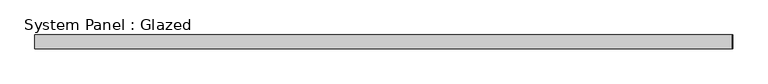
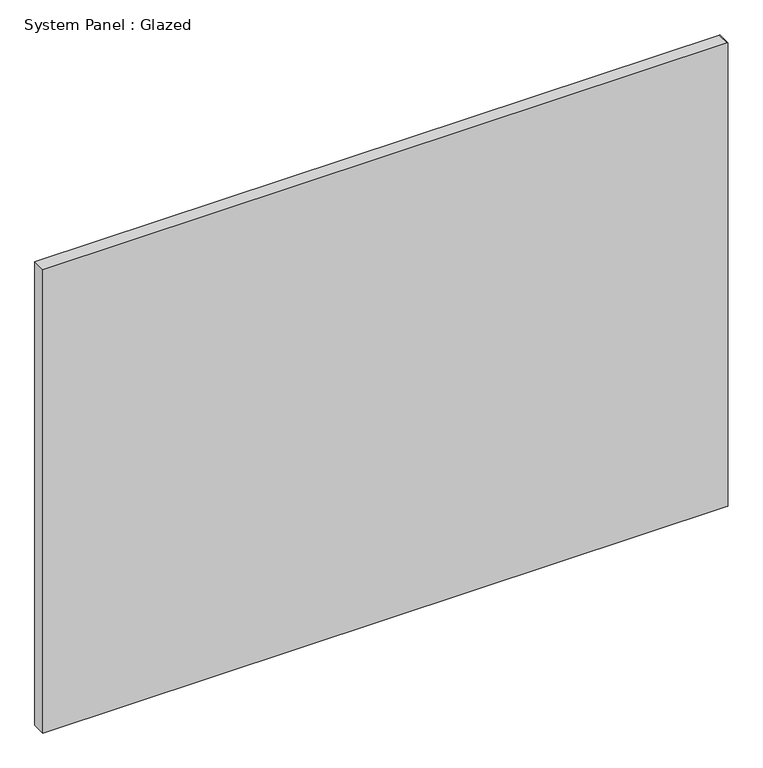
"""IFC4 building model written with IfcOpenShell, lengths in millimetres: plate geometry, System Panel : Glazed."""

import ifcopenshell
import ifcopenshell.guid

model = None  # the IFC model being written
_history = None  # IfcOwnerHistory: only IFC2X3 demands one
_inside = {}  # id of a spatial element -> (the spatial element, [elements in it])
_under = {}  # id of a project, library or spatial element -> (it, [spatial elements below it])
_declared = {}  # id of a project -> (the project, [libraries it declares])
_typed = {}  # id of a type object -> (the type object, [elements of that type])
_made_of = {}  # id of a material, layer set ... -> (it, [elements and type objects made of it])


def new_model(schema):
    """Start an empty IFC model of exactly this schema.

    Asked for "IFC4X3", IfcOpenShell would pick the latest addendum, in which some entities
    have other attributes; the version numbers below select the first issue.
    IFC2X3 requires an IfcOwnerHistory on every rooted entity: one is made here for all.
    """
    global model, _history
    if schema == "IFC4X3":
        model = ifcopenshell.file(schema_version=(4, 3, 0, 0))
    else:
        model = ifcopenshell.file(schema=schema)
    _inside.clear()
    _under.clear()
    _declared.clear()
    _typed.clear()
    _made_of.clear()
    _history = None
    if model.schema == "IFC2X3":
        org = make("IfcOrganization", Name="unknown")
        user = make(
            "IfcPersonAndOrganization",
            ThePerson=make("IfcPerson", FamilyName="unknown"),
            TheOrganization=org,
        )
        app = make(
            "IfcApplication",
            ApplicationDeveloper=org,
            Version="unknown",
            ApplicationFullName="unknown",
            ApplicationIdentifier="unknown",
        )
        _history = make(
            "IfcOwnerHistory",
            OwningUser=user,
            OwningApplication=app,
            ChangeAction="ADDED",
            CreationDate=0,
        )
    return model


def make(cls, **values):
    """One entity of the class cls with the attributes given. An attribute that is None is left unset."""
    return model.create_entity(
        cls, **{name: value for name, value in values.items() if value is not None}
    )


def rooted(cls, **values):
    """An entity with a GlobalId (a new one), such as an element, a storey or a relation."""
    return make(cls, GlobalId=ifcopenshell.guid.new(), OwnerHistory=_history, **values)


def si_unit(unit_type, name, prefix=None):
    """IfcSIUnit, for example si_unit("LENGTHUNIT", "METRE", prefix="MILLI")."""
    return make("IfcSIUnit", UnitType=unit_type, Prefix=prefix, Name=name)


def assignment(units):
    """IfcUnitAssignment: the units of a project."""
    return None if units is None else make("IfcUnitAssignment", Units=units)


def point(xyz):
    """IfcCartesianPoint."""
    return None if xyz is None else make("IfcCartesianPoint", Coordinates=xyz)


def direction(xyz):
    """IfcDirection."""
    return None if xyz is None else make("IfcDirection", DirectionRatios=xyz)


def frame(location, z_axis=None, x_axis=None):
    """IfcAxis2Placement3D, a coordinate frame: its origin and axes. An axis left out is left unset."""
    return make(
        "IfcAxis2Placement3D",
        Location=point(location),
        Axis=direction(z_axis),
        RefDirection=direction(x_axis),
    )


def origin():
    """The frame at (0, 0, 0) with its axes left unset."""
    return frame((0.0, 0.0, 0.0))


def place(relative_to, where):
    """IfcLocalPlacement: puts the frame where relative to a parent placement (None: the world)."""
    return make(
        "IfcLocalPlacement", PlacementRelTo=relative_to, RelativePlacement=where
    )


def context(
    kind, dimensions, precision=None, world=None, true_north=None, identifier=None
):
    """IfcGeometricRepresentationContext, for example the 3D "Model" context."""
    return make(
        "IfcGeometricRepresentationContext",
        ContextIdentifier=identifier,
        ContextType=kind,
        CoordinateSpaceDimension=dimensions,
        Precision=precision,
        WorldCoordinateSystem=world,
        TrueNorth=true_north,
    )


def project(units=None, contexts=None):
    """IfcProject with its units and contexts."""
    return rooted(
        "IfcProject",
        Name="project",
        RepresentationContexts=contexts,
        UnitsInContext=assignment(units),
    )


def spatial(cls, under=None, at=None, **own):
    """A site, building, storey or space (cls), placed at a placement, below another one or the project."""
    s = rooted(cls, ObjectPlacement=at, **own)
    if under is not None:
        _under.setdefault(under.id(), (under, []))[1].append(s)
    return s


def polyline(points):
    """IfcPolyline through the points."""
    return make("IfcPolyline", Points=[point(p) for p in points])


def outline(outer, holes=None, kind="AREA"):
    """IfcArbitraryClosedProfileDef: a profile drawn as a closed curve; with holes, ...WithVoids."""
    if holes is None:
        return make("IfcArbitraryClosedProfileDef", ProfileType=kind, OuterCurve=outer)
    return make(
        "IfcArbitraryProfileDefWithVoids",
        ProfileType=kind,
        OuterCurve=outer,
        InnerCurves=holes,
    )


def extrude(swept, where, along, depth):
    """IfcExtrudedAreaSolid: the profile swept, set in the frame where, extruded along a direction by depth."""
    return make(
        "IfcExtrudedAreaSolid",
        SweptArea=swept,
        Position=where,
        ExtrudedDirection=direction(along),
        Depth=depth,
    )


def shape(context_of_items, identifier, shape_type, items):
    """IfcShapeRepresentation: the items that make up one representation, for example the "Body"."""
    return make(
        "IfcShapeRepresentation",
        ContextOfItems=context_of_items,
        RepresentationIdentifier=identifier,
        RepresentationType=shape_type,
        Items=items,
    )


def source(mapping_origin, context_of_items, identifier, shape_type, items):
    """IfcRepresentationMap: a shape defined once, which mapped items show again and again."""
    return make(
        "IfcRepresentationMap",
        MappingOrigin=mapping_origin,
        MappedRepresentation=shape(context_of_items, identifier, shape_type, items),
    )


def transform(
    local_origin,
    x_axis=None,
    y_axis=None,
    z_axis=None,
    scale=None,
    scale2=None,
    scale3=None,
    uniform=True,
):
    """IfcCartesianTransformationOperator3D, or its non-uniform kind. x_axis, y_axis, z_axis: its Axis1, 2, 3."""
    if uniform:
        return make(
            "IfcCartesianTransformationOperator3D",
            Axis1=direction(x_axis),
            Axis2=direction(y_axis),
            LocalOrigin=point(local_origin),
            Scale=scale,
            Axis3=direction(z_axis),
        )
    return make(
        "IfcCartesianTransformationOperator3DnonUniform",
        Axis1=direction(x_axis),
        Axis2=direction(y_axis),
        LocalOrigin=point(local_origin),
        Scale=scale,
        Axis3=direction(z_axis),
        Scale2=scale2,
        Scale3=scale3,
    )


def mapped(mapping_source, mapping_target):
    """IfcMappedItem: shows the shape of a source again, moved by a transform."""
    return make(
        "IfcMappedItem", MappingSource=mapping_source, MappingTarget=mapping_target
    )


def made_of(thing, what):
    """Note that an element or type object is made of a material, layer set ...; save() writes the relation."""
    if what is not None:
        _made_of.setdefault(what.id(), (what, []))[1].append(thing)
    return thing


def element(
    cls,
    number,
    at=None,
    inside=None,
    cuts=None,
    type_object=None,
    material=None,
    context=None,
    identifier="Body",
    shape_type=None,
    held_by="IfcProductDefinitionShape",
    body=None,
    shapes=None,
    **own,
):
    """One element of the class cls, such as IfcWall. Its Tag is "e" and its number.

    at: its placement. inside: the storey or other place that contains it. cuts: it is an
    opening in that element (IfcRelVoidsElement). A single representation is given by context,
    identifier, shape_type and body (its items); several are given by shapes. held_by: the class
    of the entity that holds the representations. save() writes the other relations.
    """
    e = rooted(cls, Tag="e%d" % number, ObjectPlacement=at, **own)
    if body is not None:
        shapes = [shape(context, identifier, shape_type, body)]
    if shapes is not None:
        e.Representation = make(held_by, Representations=shapes)
    if inside is not None:
        _inside.setdefault(inside.id(), (inside, []))[1].append(e)
    if cuts is not None:
        rooted(
            "IfcRelVoidsElement", RelatingBuildingElement=cuts, RelatedOpeningElement=e
        )
    if type_object is not None:
        _typed.setdefault(type_object.id(), (type_object, []))[1].append(e)
    return made_of(e, material)


def aggregate(whole, parts):
    """IfcRelAggregates: a whole, such as a stair, and the parts it consists of."""
    return rooted("IfcRelAggregates", RelatingObject=whole, RelatedObjects=parts)


def save(model, path):
    """Write the relations noted so far, then the file.

    IfcRelAggregates (storeys below a building ...), IfcRelContainedInSpatialStructure (elements
    in a storey), IfcRelDefinesByType, IfcRelAssociatesMaterial and IfcRelDeclares: one each for
    every whole, place, type object, material and project.
    """
    for whole, parts in _under.values():
        aggregate(whole, parts)
    for where, things in _inside.values():
        rooted(
            "IfcRelContainedInSpatialStructure",
            RelatedElements=things,
            RelatingStructure=where,
        )
    for kind, things in _typed.values():
        rooted("IfcRelDefinesByType", RelatedObjects=things, RelatingType=kind)
    for what, things in _made_of.values():
        rooted("IfcRelAssociatesMaterial", RelatedObjects=things, RelatingMaterial=what)
    for by, libraries in _declared.values():
        rooted("IfcRelDeclares", RelatingContext=by, RelatedDefinitions=libraries)
    model.write(path)


def system_panel_glazed_eb37ca19(model_context):
    return source(origin(), model_context, "Body", "SweptSolid", [
        extrude(outline(polyline([(0.0, -622.7), (0.0, 621.9000003), (0.0, 622.7), (889.8, 622.7), (889.8, 621.9000003), (889.8, -622.7), (0.0, -622.7)])), frame((0.0, 24.5, 0.0), z_axis=(0.0, 1.0, 0.0), x_axis=(0.0, 0.0, 1.0)), (0.0, 0.0, 1.0), 25.0),
    ])


if __name__ == "__main__":
    model = new_model("IFC4")
    model_context = context("Model", 3, world=origin())
    ifc_project = project(units=[si_unit("LENGTHUNIT", "METRE", prefix="MILLI")], contexts=[model_context])
    site = spatial("IfcSite", under=ifc_project)
    building = spatial("IfcBuilding", under=site)
    placement = place(None, origin())
    system_panel_glazed_shape = system_panel_glazed_eb37ca19(model_context)
    element("IfcPlate", 1, ObjectType="System Panel : Glazed", at=placement, inside=building, context=model_context, shape_type="MappedRepresentation", body=[
        mapped(system_panel_glazed_shape, transform((0.0, 0.0, 0.0), x_axis=(1.0, 0.0, 0.0), y_axis=(0.0, 1.0, 0.0), z_axis=(0.0, 0.0, 1.0))),
    ])
    save(model, "model.ifc")
